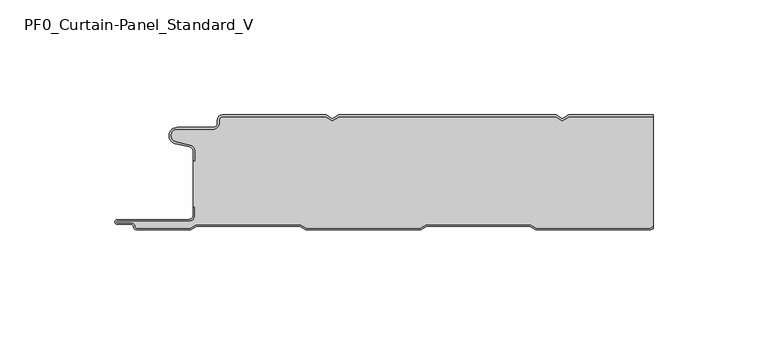
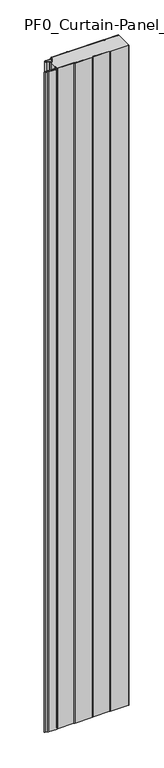
"""IFC4 building model written with IfcOpenShell, lengths in millimetres: plate geometry, PF0_Curtain-Panel_Standard_V."""

from ifc_helpers import new_model, si_unit, point, frame_2d, origin, origin_with_axes, place, context, project, spatial, polyline, circle_curve, trimmed, segment, composite_curve, outline, extrude, source, transform, mapped, element, save


def pf0_curtain_panel_standard_v_935b9fb9(model_context):
    return source(origin(), model_context, "Body", "SweptSolid", [
        extrude(outline(composite_curve([segment(trimmed(circle_curve(frame_2d((-102.0119739, -15.878557)), 2.0), [point((-100.0119739, -15.878557))], [point((-101.5620718, -13.9298169))], True, "CARTESIAN"), True, "CONTINUOUS"), segment(polyline([(-101.5620718, -13.9298169), (-107.7217978, -12.507732)]), True, "CONTINUOUS"), segment(trimmed(circle_curve(frame_2d((-106.9119739, -9.0)), 3.6), [point((-107.7217978, -12.507732))], [point((-106.9119739, -5.4))], False, "CARTESIAN"), True, "CONTINUOUS"), segment(polyline([(-106.9119739, -5.4), (-91.4119739, -5.4)]), True, "CONTINUOUS"), segment(trimmed(circle_curve(frame_2d((-91.4119739, -3.4)), 2.0), [point((-91.4119739, -5.4))], [point((-89.4119739, -3.4))], True, "CARTESIAN"), True, "CONTINUOUS"), segment(polyline([(-89.4119739, -3.4), (-89.4119739, -2.0)]), True, "CONTINUOUS"), segment(trimmed(circle_curve(frame_2d((-87.4119739, -2.0)), 2.0), [point((-89.4119739, -2.0))], [point((-87.4119739, 0.0))], False, "CARTESIAN"), True, "CONTINUOUS"), segment(polyline([(-87.4119739, 0.0), (-42.1119734, 0.0), (-39.4119739, -1.5588455), (-36.7119745, 0.0), (57.8880266, 0.0), (60.5880261, -1.5588455), (63.2880255, 0.0), (100.0119739, 0.0), (100.0119739, -0.8), (63.5023849, -0.8), (60.5880261, -2.482606), (57.6736672, -0.8), (-36.4976151, -0.8), (-39.4119739, -2.482606), (-42.3263328, -0.8), (-87.4119739, -0.8)]), True, "CONTINUOUS"), segment(trimmed(circle_curve(frame_2d((-87.4119739, -2.0)), 1.2), [point((-87.4119739, -0.8))], [point((-88.6119739, -2.0))], True, "CARTESIAN"), True, "CONTINUOUS"), segment(polyline([(-88.6119739, -2.0), (-88.6119739, -3.4)]), True, "CONTINUOUS"), segment(trimmed(circle_curve(frame_2d((-91.4119739, -3.4)), 2.8), [point((-88.6119739, -3.4))], [point((-91.4119739, -6.2))], False, "CARTESIAN"), True, "CONTINUOUS"), segment(polyline([(-91.4119739, -6.2), (-106.9119739, -6.2)]), True, "CONTINUOUS"), segment(trimmed(circle_curve(frame_2d((-106.9119739, -9.0)), 2.8), [point((-106.9119739, -6.2))], [point((-107.541837, -11.7282362))], True, "CARTESIAN"), True, "CONTINUOUS"), segment(polyline([(-107.541837, -11.7282362), (-101.3821109, -13.150321)]), True, "CONTINUOUS"), segment(trimmed(circle_curve(frame_2d((-102.0119739, -15.878557)), 2.8), [point((-101.3821109, -13.150321))], [point((-99.2119739, -15.878557))], False, "CARTESIAN"), True, "CONTINUOUS"), segment(polyline([(-99.2119739, -15.878557), (-99.2119739, -20.0), (-100.0119739, -20.0), (-100.0119739, -15.878557)]), True, "CONTINUOUS")], self_intersect=False)), origin_with_axes(), (0.0, 0.0, 1.0), 1945.7507136),
        extrude(outline(composite_curve([segment(polyline([(-99.2119739, -40.0), (-100.0119739, -40.0), (-100.0119739, -20.0), (-99.2119739, -20.0), (-99.2119739, -15.878557)]), True, "CONTINUOUS"), segment(trimmed(circle_curve(frame_2d((-102.0119739, -15.878557)), 2.8), [point((-99.2119739, -15.878557))], [point((-101.3821109, -13.1503208))], True, "CARTESIAN"), True, "CONTINUOUS"), segment(polyline([(-101.3821109, -13.1503208), (-107.5418369, -11.7282362)]), True, "CONTINUOUS"), segment(trimmed(circle_curve(frame_2d((-106.9119739, -9.0)), 2.8), [point((-107.5418369, -11.7282362))], [point((-106.9119739, -6.2))], False, "CARTESIAN"), True, "CONTINUOUS"), segment(polyline([(-106.9119739, -6.2), (-91.4119739, -6.2)]), True, "CONTINUOUS"), segment(trimmed(circle_curve(frame_2d((-91.4119739, -3.4)), 2.8), [point((-91.4119739, -6.2))], [point((-88.6119739, -3.4))], True, "CARTESIAN"), True, "CONTINUOUS"), segment(polyline([(-88.6119739, -3.4), (-88.6119739, -2.0)]), True, "CONTINUOUS"), segment(trimmed(circle_curve(frame_2d((-87.4119739, -2.0)), 1.2), [point((-88.6119739, -2.0))], [point((-87.4119739, -0.8))], False, "CARTESIAN"), True, "CONTINUOUS"), segment(polyline([(-87.4119739, -0.8), (-42.3263328, -0.8), (-39.4119739, -2.482606), (-36.4976151, -0.8), (57.6736672, -0.8), (60.5880261, -2.482606), (63.5023849, -0.8), (100.0119739, -0.8), (100.0119739, -48.4878024), (98.7784109, -49.2), (49.2032822, -49.2), (46.6052046, -47.7), (1.3764885, -47.7), (-1.2215891, -49.2), (-50.7967178, -49.2), (-53.3947954, -47.7), (-98.6235115, -47.7), (-101.2215891, -49.2), (-124.4119739, -49.2)]), True, "CONTINUOUS"), segment(trimmed(circle_curve(frame_2d((-124.4119739, -48.4)), 0.8), [point((-124.4119739, -49.2))], [point((-125.2119739, -48.4))], False, "CARTESIAN"), True, "CONTINUOUS"), segment(trimmed(circle_curve(frame_2d((-126.9119739, -48.6133333)), 1.7133333), [point((-125.2119739, -48.4))], [point((-126.9119739, -46.9))], True, "CARTESIAN"), True, "CONTINUOUS"), segment(polyline([(-126.9119739, -46.9), (-132.8820051, -46.9)]), True, "CONTINUOUS"), segment(trimmed(circle_curve(frame_2d((-132.8820051, -46.6)), 0.3), [point((-132.8820051, -46.9))], [point((-132.8820051, -46.3))], False, "CARTESIAN"), True, "CONTINUOUS"), segment(polyline([(-132.8820051, -46.3), (-102.0119739, -46.3)]), True, "CONTINUOUS"), segment(trimmed(circle_curve(frame_2d((-102.0119739, -43.5)), 2.8), [point((-102.0119739, -46.3))], [point((-99.2119739, -43.5))], True, "CARTESIAN"), True, "CONTINUOUS"), segment(polyline([(-99.2119739, -43.5), (-99.2119739, -40.0)]), True, "CONTINUOUS")], self_intersect=False)), origin_with_axes(), (0.0, 0.0, 1.0), 1945.7507136),
        extrude(outline(composite_curve([segment(polyline([(-100.0119739, -40.0), (-99.2119739, -40.0), (-99.2119739, -43.5)]), True, "CONTINUOUS"), segment(trimmed(circle_curve(frame_2d((-102.0119739, -43.5)), 2.8), [point((-99.2119739, -43.5))], [point((-102.0119739, -46.3))], False, "CARTESIAN"), True, "CONTINUOUS"), segment(polyline([(-102.0119739, -46.3), (-132.8820051, -46.3)]), True, "CONTINUOUS"), segment(trimmed(circle_curve(frame_2d((-132.8820051, -46.6)), 0.3), [point((-132.8820051, -46.3))], [point((-132.8820051, -46.9))], True, "CARTESIAN"), True, "CONTINUOUS"), segment(polyline([(-132.8820051, -46.9), (-126.9119739, -46.9)]), True, "CONTINUOUS"), segment(trimmed(circle_curve(frame_2d((-126.9119739, -48.6133333)), 1.7133333), [point((-126.9119739, -46.9))], [point((-125.2119739, -48.4))], False, "CARTESIAN"), True, "CONTINUOUS"), segment(trimmed(circle_curve(frame_2d((-124.4119739, -48.4)), 0.8), [point((-125.2119739, -48.4))], [point((-124.4119739, -49.2))], True, "CARTESIAN"), True, "CONTINUOUS"), segment(polyline([(-124.4119739, -49.2), (-101.2215891, -49.2), (-98.6235115, -47.7), (-53.3947954, -47.7), (-50.7967178, -49.2), (-1.2215891, -49.2), (1.3764885, -47.7), (46.6052046, -47.7), (49.2032822, -49.2), (98.7784109, -49.2), (100.0119739, -48.4878024), (100.0119739, -49.4115627), (98.9927701, -50.0), (48.988923, -50.0), (46.3908454, -48.5), (1.5908477, -48.5), (-1.0072299, -50.0), (-51.011077, -50.0), (-53.6091546, -48.5), (-98.4091523, -48.5), (-101.0072299, -50.0), (-124.4119739, -50.0)]), True, "CONTINUOUS"), segment(trimmed(circle_curve(frame_2d((-124.4119739, -48.4)), 1.6), [point((-124.4119739, -50.0))], [point((-126.0119739, -48.4))], False, "CARTESIAN"), True, "CONTINUOUS"), segment(trimmed(circle_curve(frame_2d((-126.9119739, -48.4)), 0.9), [point((-126.0119739, -48.4))], [point((-126.9119739, -47.5))], True, "CARTESIAN"), True, "CONTINUOUS"), segment(polyline([(-126.9119739, -47.5), (-133.0119739, -47.5)]), True, "CONTINUOUS"), segment(trimmed(circle_curve(frame_2d((-133.0119739, -46.5)), 1.0), [point((-133.0119739, -47.5))], [point((-133.0119739, -45.5))], False, "CARTESIAN"), True, "CONTINUOUS"), segment(polyline([(-133.0119739, -45.5), (-102.0119739, -45.5)]), True, "CONTINUOUS"), segment(trimmed(circle_curve(frame_2d((-102.0119739, -43.5)), 2.0), [point((-102.0119739, -45.5))], [point((-100.0119739, -43.5))], True, "CARTESIAN"), True, "CONTINUOUS"), segment(polyline([(-100.0119739, -43.5), (-100.0119739, -40.0)]), True, "CONTINUOUS")], self_intersect=False)), origin_with_axes(), (0.0, 0.0, 1.0), 1945.7507136),
    ])


if __name__ == "__main__":
    model = new_model("IFC4")
    model_context = context("Model", 3, world=origin())
    ifc_project = project(units=[si_unit("LENGTHUNIT", "METRE", prefix="MILLI")], contexts=[model_context])
    site = spatial("IfcSite", under=ifc_project)
    building = spatial("IfcBuilding", under=site)
    placement = place(None, origin())
    pf0_curtain_panel_standard_v_shape = pf0_curtain_panel_standard_v_935b9fb9(model_context)
    element("IfcPlate", 1, ObjectType="PF0_Curtain-Panel_Standard_V", at=placement, inside=building, context=model_context, shape_type="MappedRepresentation", body=[
        mapped(pf0_curtain_panel_standard_v_shape, transform((0.0, 0.0, 0.0), x_axis=(1.0, 0.0, 0.0), y_axis=(0.0, 1.0, 0.0), z_axis=(0.0, 0.0, 1.0))),
    ])
    save(model, "model.ifc")
